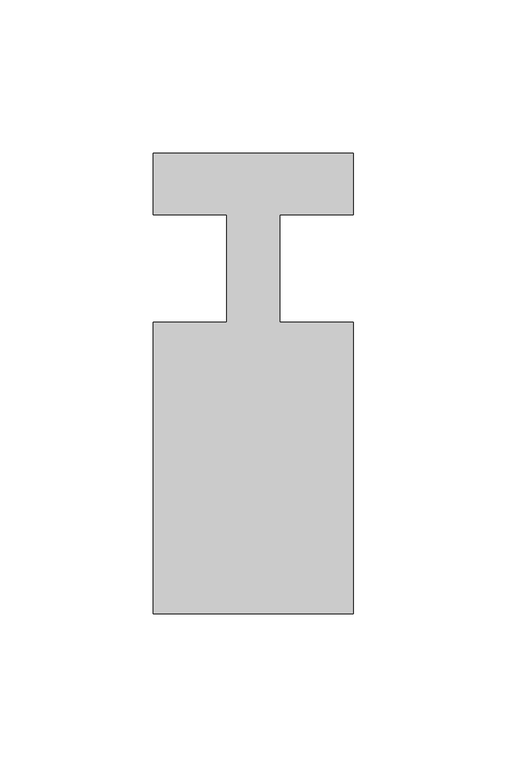
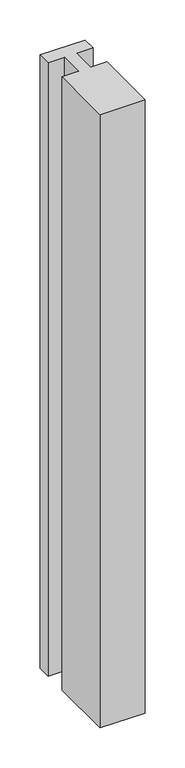
"""IFC4 building model written with IfcOpenShell, lengths in millimetres: member geometry."""

from ifc_helpers import new_model, si_unit, frame, origin, place, context, project, spatial, polyline, outline, extrude, source, transform, mapped, element, save


def member_e66898c2(model_context):
    return source(origin(), model_context, "Body", "SweptSolid", [
        extrude(outline(polyline([(-65.0, 37.0), (0.0, 37.0), (0.0, 17.0), (-23.8125, 17.0), (-23.8125, -18.0), (0.0, -18.0), (0.0, -113.0), (-65.0, -113.0), (-65.0, -18.0), (-41.1875, -18.0), (-41.1875, 17.0), (-65.0, 17.0), (-65.0, 37.0)])), frame((0.0, 0.0, -935.8333333), z_axis=(0.0, 0.0, 1.0), x_axis=(1.0, 0.0, 0.0)), (0.0, 0.0, 1.0), 935.8333333),
    ])


if __name__ == "__main__":
    model = new_model("IFC4")
    model_context = context("Model", 3, world=origin())
    ifc_project = project(units=[si_unit("LENGTHUNIT", "METRE", prefix="MILLI")], contexts=[model_context])
    site = spatial("IfcSite", under=ifc_project)
    building = spatial("IfcBuilding", under=site)
    placement = place(None, origin())
    member_shape = member_e66898c2(model_context)
    element("IfcMember", 1, at=placement, inside=building, context=model_context, shape_type="MappedRepresentation", body=[
        mapped(member_shape, transform((0.0, 0.0, 0.0), x_axis=(1.0, 0.0, 0.0), y_axis=(0.0, 1.0, 0.0), z_axis=(0.0, 0.0, 1.0))),
    ])
    save(model, "model.ifc")
